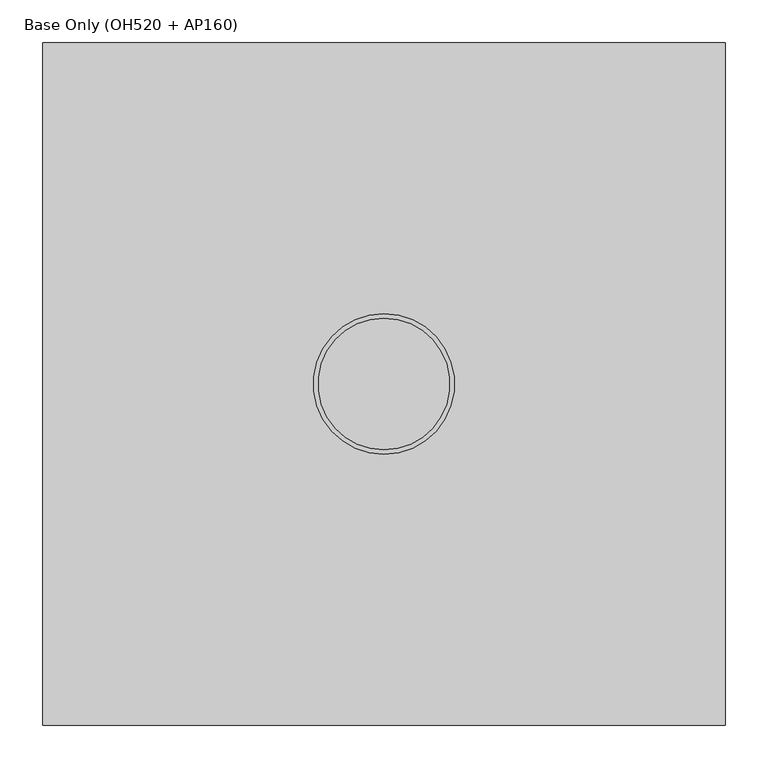
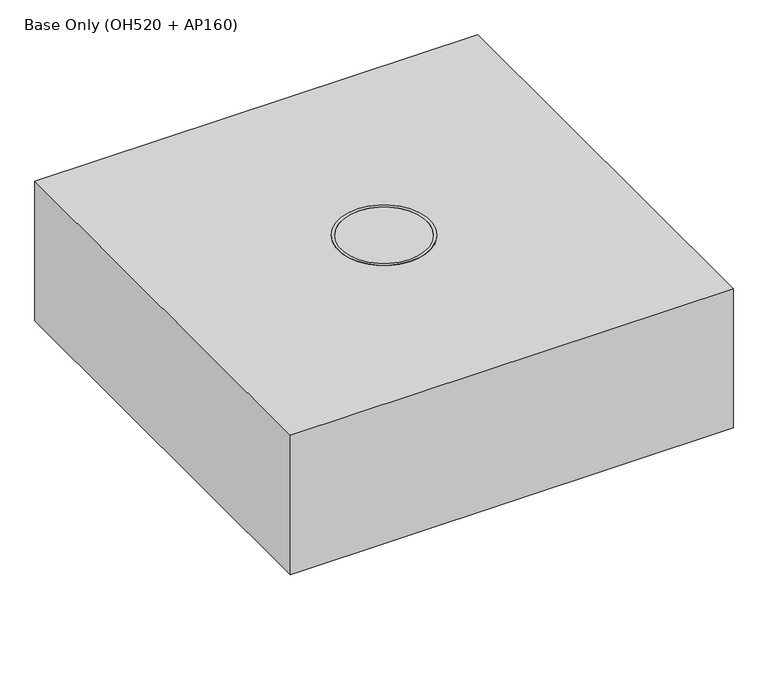
"""IFC4 building model written with IfcOpenShell, lengths in millimetres: proxy geometry, Base Only (OH520 + AP160)."""

from ifc_helpers import new_model, si_unit, point, frame, frame_2d, origin, origin_with_axes, place, context, project, spatial, polyline, circle_curve, ellipse_curve, trimmed, segment, composite_curve, outline, extrude, source, transform, mapped, element, save
from ifc_brep_helpers import plane_surface, cylinder_surface, revolved_surface, advanced_brep


def base_only_oh520_ap160_e9c407a0(model_context):
    return source(origin(), model_context, "Body", "SolidModel", [
        extrude(outline(composite_curve([segment(trimmed(circle_curve(frame_2d((180.0, 180.0)), 20.0), [point((180.0, 200.0))], [point((200.0, 180.0))], False, "CARTESIAN"), True, "CONTINUOUS"), segment(polyline([(200.0, 180.0), (200.0, -180.0)]), True, "CONTINUOUS"), segment(trimmed(circle_curve(frame_2d((180.0, -180.0)), 20.0), [point((200.0, -180.0))], [point((180.0, -200.0))], False, "CARTESIAN"), True, "CONTINUOUS"), segment(polyline([(180.0, -200.0), (-180.0, -200.0)]), True, "CONTINUOUS"), segment(trimmed(circle_curve(frame_2d((-180.0, -180.0)), 20.0), [point((-180.0, -200.0))], [point((-200.0, -180.0))], False, "CARTESIAN"), True, "CONTINUOUS"), segment(polyline([(-200.0, -180.0), (-200.0, 180.0)]), True, "CONTINUOUS"), segment(trimmed(circle_curve(frame_2d((-180.0, 180.0)), 20.0), [point((-200.0, 180.0))], [point((-180.0, 200.0))], False, "CARTESIAN"), True, "CONTINUOUS"), segment(polyline([(-180.0, 200.0), (180.0, 200.0)]), True, "CONTINUOUS")], self_intersect=False), holes=[composite_curve([segment(trimmed(circle_curve(frame_2d((150.0, -150.0)), 9.0), [point((150.0, -141.0))], [point((150.0, -159.0))], True, "CARTESIAN"), True, "CONTINUOUS"), segment(trimmed(circle_curve(frame_2d((150.0, -150.0)), 9.0), [point((150.0, -159.0))], [point((150.0, -141.0))], True, "CARTESIAN"), True, "CONTINUOUS")], self_intersect=False), composite_curve([segment(trimmed(circle_curve(frame_2d((150.0, 150.0)), 9.0), [point((150.0, 159.0))], [point((150.0, 141.0))], True, "CARTESIAN"), True, "CONTINUOUS"), segment(trimmed(circle_curve(frame_2d((150.0, 150.0)), 9.0), [point((150.0, 141.0))], [point((150.0, 159.0))], True, "CARTESIAN"), True, "CONTINUOUS")], self_intersect=False)]), origin_with_axes(), (0.0, 0.0, 1.0), 16.0),
        advanced_brep(
        [(-158.0, 150.0, 0.0), (-142.0, 150.0, 0.0), (-158.0, 150.0, -114.0), (-142.0, 150.0, -114.0), (-142.0, 122.0, -142.0), (-158.0, 122.0, -142.0), (-158.0, -122.0, -142.0), (-142.0, -122.0, -142.0), (-142.0, -150.0, -114.0), (-158.0, -150.0, -114.0), (-158.0, -150.0, 0.0), (-142.0, -150.0, 0.0)],
        [
            (0, 1, circle_curve(frame((-150.0, 150.0, 0.0), z_axis=(0.0, 0.0, 1.0), x_axis=(1.0, 0.0, 0.0)), 8.0)),
            (1, 0, circle_curve(frame((-150.0, 150.0, 0.0), z_axis=(0.0, 0.0, 1.0), x_axis=(1.0, 0.0, 0.0)), 8.0)),
            (0, 2),
            (2, 3, circle_curve(frame((-150.0, 150.0, -114.0), z_axis=(0.0, 0.0, 1.0), x_axis=(1.0, 0.0, 0.0)), 8.0)),
            (3, 1),
            (3, 2, circle_curve(frame((-150.0, 150.0, -114.0), z_axis=(0.0, 0.0, 1.0), x_axis=(1.0, 0.0, 0.0)), 8.0)),
            (4, 3, circle_curve(frame((-142.0, 122.0, -114.0), z_axis=(1.0, 0.0, 0.0), x_axis=(0.0, 1.0, 0.0)), 28.0)),
            (2, 5, circle_curve(frame((-158.0, 122.0, -114.0), z_axis=(-1.0, 0.0, 0.0), x_axis=(0.0, 1.0, 0.0)), 28.0)),
            (5, 4, circle_curve(frame((-150.0, 122.0, -142.0), z_axis=(0.0, 1.0, 0.0), x_axis=(1.0, 0.0, 0.0)), 8.0)),
            (4, 5, circle_curve(frame((-150.0, 122.0, -142.0), z_axis=(0.0, 1.0, 0.0), x_axis=(1.0, 0.0, 0.0)), 8.0)),
            (5, 6),
            (6, 7, circle_curve(frame((-150.0, -122.0, -142.0), z_axis=(0.0, 1.0, 0.0), x_axis=(1.0, 0.0, 0.0)), 8.0)),
            (7, 4),
            (7, 6, circle_curve(frame((-150.0, -122.0, -142.0), z_axis=(0.0, 1.0, 0.0), x_axis=(1.0, 0.0, 0.0)), 8.0)),
            (8, 7, circle_curve(frame((-142.0, -122.0, -114.0), z_axis=(1.0, 0.0, 0.0), x_axis=(0.0, 0.0, -1.0)), 28.0)),
            (6, 9, circle_curve(frame((-158.0, -122.0, -114.0), z_axis=(-1.0, 0.0, 0.0), x_axis=(0.0, 0.0, -1.0)), 28.0)),
            (9, 8, circle_curve(frame((-150.0, -150.0, -114.0), z_axis=(0.0, 0.0, -1.0), x_axis=(1.0, 0.0, 0.0)), 8.0)),
            (8, 9, circle_curve(frame((-150.0, -150.0, -114.0), z_axis=(0.0, 0.0, -1.0), x_axis=(1.0, 0.0, 0.0)), 8.0)),
            (10, 11, circle_curve(frame((-150.0, -150.0, 0.0), z_axis=(0.0, 0.0, 1.0), x_axis=(1.0, 0.0, 0.0)), 8.0)),
            (11, 10, circle_curve(frame((-150.0, -150.0, 0.0), z_axis=(0.0, 0.0, 1.0), x_axis=(1.0, 0.0, 0.0)), 8.0)),
            (9, 10),
            (11, 8),
        ],
        [
            plane_surface(frame((0.0, 142.0, 0.0), z_axis=(0.0, 0.0, 1.0), x_axis=(1.0, 0.0, 0.0))),
            cylinder_surface(frame((-150.0, 150.0, 0.0), z_axis=(0.0, 0.0, 1.0), x_axis=(1.0, 0.0, 0.0)), 8.0),
            revolved_surface(trimmed(ellipse_curve(frame((-150.0, 150.0, -114.0), z_axis=(0.0, 0.0, 1.0), x_axis=(1.0, 0.0, 0.0)), 8.0, 8.0), [point((-158.0, 150.0, -114.0))], [point((-142.0, 150.0, -114.0))], True, "CARTESIAN"), (0.0, 122.0, -114.0), (-1.0, 0.0, 0.0)),
            revolved_surface(trimmed(ellipse_curve(frame((-150.0, 150.0, -114.0), z_axis=(0.0, 0.0, 1.0), x_axis=(1.0, 0.0, 0.0)), 8.0, 8.0), [point((-142.0, 150.0, -114.0))], [point((-158.0, 150.0, -114.0))], True, "CARTESIAN"), (0.0, 122.0, -114.0), (-1.0, 0.0, 0.0)),
            cylinder_surface(frame((-150.0, 122.0, -142.0), z_axis=(0.0, 1.0, 0.0), x_axis=(1.0, 0.0, 0.0)), 8.0),
            revolved_surface(trimmed(ellipse_curve(frame((-150.0, -122.0, -142.0), z_axis=(0.0, 1.0, 0.0), x_axis=(1.0, 0.0, 0.0)), 8.0, 8.0), [point((-158.0, -122.0, -142.0))], [point((-142.0, -122.0, -142.0))], True, "CARTESIAN"), (0.0, -122.0, -114.0), (-1.0, 0.0, 0.0)),
            revolved_surface(trimmed(ellipse_curve(frame((-150.0, -122.0, -142.0), z_axis=(0.0, 1.0, 0.0), x_axis=(1.0, 0.0, 0.0)), 8.0, 8.0), [point((-142.0, -122.0, -142.0))], [point((-158.0, -122.0, -142.0))], True, "CARTESIAN"), (0.0, -122.0, -114.0), (-1.0, 0.0, 0.0)),
            plane_surface(frame((0.0, -142.0, 0.0), z_axis=(0.0, 0.0, 1.0), x_axis=(1.0, 0.0, 0.0))),
            cylinder_surface(frame((-150.0, -150.0, -114.0), z_axis=(0.0, 0.0, -1.0), x_axis=(1.0, 0.0, 0.0)), 8.0),
        ],
        [
            (0, [[1, 2]]),
            (1, [[-1, 3, 4, 5]]),
            (1, [[-2, -5, 6, -3]]),
            (2, [[7, -4, 8, 9]]),
            (3, [[-8, -6, -7, 10]]),
            (4, [[-9, 11, 12, 13]]),
            (4, [[-10, -13, 14, -11]]),
            (5, [[15, -12, 16, 17]]),
            (6, [[-16, -14, -15, 18]]),
            (7, [[19, 20]]),
            (8, [[-17, 21, -20, 22]]),
            (8, [[-18, -22, -19, -21]]),
        ],
    ),
        advanced_brep(
        [(142.0, 150.0, 0.0), (158.0, 150.0, 0.0), (142.0, 150.0, -114.0), (158.0, 150.0, -114.0), (158.0, 122.0, -142.0), (142.0, 122.0, -142.0), (142.0, -122.0, -142.0), (158.0, -122.0, -142.0), (158.0, -150.0, -114.0), (142.0, -150.0, -114.0), (142.0, -150.0, 0.0), (158.0, -150.0, 0.0)],
        [
            (0, 1, circle_curve(frame((150.0, 150.0, 0.0), z_axis=(0.0, 0.0, 1.0), x_axis=(1.0, 0.0, 0.0)), 8.0)),
            (1, 0, circle_curve(frame((150.0, 150.0, 0.0), z_axis=(0.0, 0.0, 1.0), x_axis=(1.0, 0.0, 0.0)), 8.0)),
            (0, 2),
            (2, 3, circle_curve(frame((150.0, 150.0, -114.0), z_axis=(0.0, 0.0, 1.0), x_axis=(1.0, 0.0, 0.0)), 8.0)),
            (3, 1),
            (3, 2, circle_curve(frame((150.0, 150.0, -114.0), z_axis=(0.0, 0.0, 1.0), x_axis=(1.0, 0.0, 0.0)), 8.0)),
            (4, 3, circle_curve(frame((158.0, 122.0, -114.0), z_axis=(1.0, 0.0, 0.0), x_axis=(0.0, 1.0, 0.0)), 28.0)),
            (2, 5, circle_curve(frame((142.0, 122.0, -114.0), z_axis=(-1.0, 0.0, 0.0), x_axis=(0.0, 1.0, 0.0)), 28.0)),
            (5, 4, circle_curve(frame((150.0, 122.0, -142.0), z_axis=(0.0, 1.0, 0.0), x_axis=(1.0, 0.0, 0.0)), 8.0)),
            (4, 5, circle_curve(frame((150.0, 122.0, -142.0), z_axis=(0.0, 1.0, 0.0), x_axis=(1.0, 0.0, 0.0)), 8.0)),
            (5, 6),
            (6, 7, circle_curve(frame((150.0, -122.0, -142.0), z_axis=(0.0, 1.0, 0.0), x_axis=(1.0, 0.0, 0.0)), 8.0)),
            (7, 4),
            (7, 6, circle_curve(frame((150.0, -122.0, -142.0), z_axis=(0.0, 1.0, 0.0), x_axis=(1.0, 0.0, 0.0)), 8.0)),
            (8, 7, circle_curve(frame((158.0, -122.0, -114.0), z_axis=(1.0, 0.0, 0.0), x_axis=(0.0, 0.0, -1.0)), 28.0)),
            (6, 9, circle_curve(frame((142.0, -122.0, -114.0), z_axis=(-1.0, 0.0, 0.0), x_axis=(0.0, 0.0, -1.0)), 28.0)),
            (9, 8, circle_curve(frame((150.0, -150.0, -114.0), z_axis=(0.0, 0.0, -1.0), x_axis=(1.0, 0.0, 0.0)), 8.0)),
            (8, 9, circle_curve(frame((150.0, -150.0, -114.0), z_axis=(0.0, 0.0, -1.0), x_axis=(1.0, 0.0, 0.0)), 8.0)),
            (10, 11, circle_curve(frame((150.0, -150.0, 0.0), z_axis=(0.0, 0.0, 1.0), x_axis=(1.0, 0.0, 0.0)), 8.0)),
            (11, 10, circle_curve(frame((150.0, -150.0, 0.0), z_axis=(0.0, 0.0, 1.0), x_axis=(1.0, 0.0, 0.0)), 8.0)),
            (9, 10),
            (11, 8),
        ],
        [
            plane_surface(frame((0.0, 142.0, 0.0), z_axis=(0.0, 0.0, 1.0), x_axis=(1.0, 0.0, 0.0))),
            cylinder_surface(frame((150.0, 150.0, 0.0), z_axis=(0.0, 0.0, 1.0), x_axis=(1.0, 0.0, 0.0)), 8.0),
            revolved_surface(trimmed(ellipse_curve(frame((150.0, 150.0, -114.0), z_axis=(0.0, 0.0, 1.0), x_axis=(1.0, 0.0, 0.0)), 8.0, 8.0), [point((142.0, 150.0, -114.0))], [point((158.0, 150.0, -114.0))], True, "CARTESIAN"), (0.0, 122.0, -114.0), (-1.0, 0.0, 0.0)),
            revolved_surface(trimmed(ellipse_curve(frame((150.0, 150.0, -114.0), z_axis=(0.0, 0.0, 1.0), x_axis=(1.0, 0.0, 0.0)), 8.0, 8.0), [point((158.0, 150.0, -114.0))], [point((142.0, 150.0, -114.0))], True, "CARTESIAN"), (0.0, 122.0, -114.0), (-1.0, 0.0, 0.0)),
            cylinder_surface(frame((150.0, 122.0, -142.0), z_axis=(0.0, 1.0, 0.0), x_axis=(1.0, 0.0, 0.0)), 8.0),
            revolved_surface(trimmed(ellipse_curve(frame((150.0, -122.0, -142.0), z_axis=(0.0, 1.0, 0.0), x_axis=(1.0, 0.0, 0.0)), 8.0, 8.0), [point((142.0, -122.0, -142.0))], [point((158.0, -122.0, -142.0))], True, "CARTESIAN"), (0.0, -122.0, -114.0), (-1.0, 0.0, 0.0)),
            revolved_surface(trimmed(ellipse_curve(frame((150.0, -122.0, -142.0), z_axis=(0.0, 1.0, 0.0), x_axis=(1.0, 0.0, 0.0)), 8.0, 8.0), [point((158.0, -122.0, -142.0))], [point((142.0, -122.0, -142.0))], True, "CARTESIAN"), (0.0, -122.0, -114.0), (-1.0, 0.0, 0.0)),
            plane_surface(frame((0.0, -142.0, 0.0), z_axis=(0.0, 0.0, 1.0), x_axis=(1.0, 0.0, 0.0))),
            cylinder_surface(frame((150.0, -150.0, -114.0), z_axis=(0.0, 0.0, -1.0), x_axis=(1.0, 0.0, 0.0)), 8.0),
        ],
        [
            (0, [[1, 2]]),
            (1, [[-1, 3, 4, 5]]),
            (1, [[-2, -5, 6, -3]]),
            (2, [[7, -4, 8, 9]]),
            (3, [[-8, -6, -7, 10]]),
            (4, [[-9, 11, 12, 13]]),
            (4, [[-10, -13, 14, -11]]),
            (5, [[15, -12, 16, 17]]),
            (6, [[-16, -14, -15, 18]]),
            (7, [[19, 20]]),
            (8, [[-17, 21, -20, 22]]),
            (8, [[-18, -22, -19, -21]]),
        ],
    ),
        advanced_brep(
        [(-192.5, -6.0, 16.0), (-192.5, 6.0, 16.0), (-82.3316616, 6.0, 16.0), (-6.0, 82.3316616, 16.0), (-6.0, 192.7683384, 16.0), (6.0, 192.7683384, 16.0), (6.0, 82.3316616, 16.0), (82.3316616, 6.0, 16.0), (192.5, 6.0, 16.0), (192.5, -6.0, 16.0), (82.3316616, -6.0, 16.0), (6.0, -82.3316616, 16.0), (6.0, -192.7683384, 16.0), (-6.0, -192.7683384, 16.0), (-6.0, -82.3316616, 16.0), (-82.3316616, -6.0, 16.0), (0.0, 77.15, 16.0), (0.0, -77.15, 16.0), (0.0, 82.55, 266.0), (0.0, -82.55, 266.0), (0.0, 77.15, 266.0), (0.0, -77.15, 266.0), (0.0, 82.55, 216.0), (-6.0, 82.3316616, 216.0), (-82.3316616, 6.0, 216.0), (-82.55, 0.0, 216.0), (-82.3316616, -6.0, 216.0), (-6.0, -82.3316616, 216.0), (0.0, -82.55, 216.0), (6.0, -82.3316616, 216.0), (82.3316616, -6.0, 216.0), (82.55, 0.0, 216.0), (82.3316616, 6.0, 216.0), (6.0, 82.3316616, 216.0), (-82.55, -6.0, 216.0), (82.55, -6.0, 216.0), (-82.55, 6.0, 216.0), (82.55, 6.0, 216.0), (6.0, 192.7683384, 108.2113255), (6.0, 149.7269935, 157.724729), (6.0, 134.968539, 159.7988945), (6.0, 102.2601853, 181.8609576), (6.0, 82.55, 216.0), (6.0, 132.0, 116.0), (6.0, 172.0, 116.0), (6.0, -82.55, 216.0), (6.0, -102.2601853, 181.8609576), (6.0, -134.968539, 159.7988945), (6.0, -149.7269935, 157.724729), (6.0, -192.7683384, 108.2113255), (6.0, -172.0, 116.0), (6.0, -132.0, 116.0), (-6.0, 82.55, 216.0), (-6.0, 102.2601853, 181.8609576), (-6.0, 134.968539, 159.7988945), (-6.0, 149.7269935, 157.724729), (-6.0, 192.7683384, 108.2113255), (-6.0, 132.0, 116.0), (-6.0, 172.0, 116.0), (-6.0, -192.7683384, 108.2113255), (-6.0, -149.7269935, 157.724729), (-6.0, -134.968539, 159.7988945), (-6.0, -102.2601853, 181.8609576), (-6.0, -82.55, 216.0), (-6.0, -172.0, 116.0), (-6.0, -132.0, 116.0)],
        [
            (0, 1),
            (1, 2),
            (2, 3, circle_curve(frame((0.0, 0.0, 16.0), z_axis=(0.0, 0.0, -1.0), x_axis=(0.0, -1.0, 0.0)), 82.55)),
            (3, 4),
            (4, 5),
            (5, 6),
            (6, 7, circle_curve(frame((0.0, 0.0, 16.0), z_axis=(0.0, 0.0, -1.0), x_axis=(0.0, -1.0, 0.0)), 82.55)),
            (7, 8),
            (8, 9),
            (9, 10),
            (10, 11, circle_curve(frame((0.0, 0.0, 16.0), z_axis=(0.0, 0.0, -1.0), x_axis=(0.0, -1.0, 0.0)), 82.55)),
            (11, 12),
            (12, 13),
            (13, 14),
            (14, 15, circle_curve(frame((0.0, 0.0, 16.0), z_axis=(0.0, 0.0, -1.0), x_axis=(0.0, -1.0, 0.0)), 82.55)),
            (15, 0),
            (16, 17, circle_curve(frame((0.0, 0.0, 16.0), z_axis=(0.0, 0.0, 1.0), x_axis=(0.0, -1.0, 0.0)), 77.15)),
            (17, 16, circle_curve(frame((0.0, 0.0, 16.0), z_axis=(0.0, 0.0, 1.0), x_axis=(0.0, -1.0, 0.0)), 77.15)),
            (18, 19, circle_curve(frame((0.0, 0.0, 266.0), z_axis=(0.0, 0.0, 1.0), x_axis=(0.0, -1.0, 0.0)), 82.55)),
            (19, 18, circle_curve(frame((0.0, 0.0, 266.0), z_axis=(0.0, 0.0, 1.0), x_axis=(0.0, -1.0, 0.0)), 82.55)),
            (20, 21, circle_curve(frame((0.0, 0.0, 266.0), z_axis=(0.0, 0.0, -1.0), x_axis=(0.0, -1.0, 0.0)), 77.15)),
            (21, 20, circle_curve(frame((0.0, 0.0, 266.0), z_axis=(0.0, 0.0, -1.0), x_axis=(0.0, -1.0, 0.0)), 77.15)),
            (17, 21),
            (20, 16),
            (18, 22),
            (22, 23, circle_curve(frame((0.0, 0.0, 216.0), z_axis=(0.0, 0.0, 1.0), x_axis=(0.0, -1.0, 0.0)), 82.55)),
            (23, 3),
            (2, 24),
            (24, 25, circle_curve(frame((0.0, 0.0, 216.0), z_axis=(0.0, 0.0, 1.0), x_axis=(0.0, -1.0, 0.0)), 82.55)),
            (25, 26, circle_curve(frame((0.0, 0.0, 216.0), z_axis=(0.0, 0.0, 1.0), x_axis=(0.0, -1.0, 0.0)), 82.55)),
            (26, 15),
            (14, 27),
            (27, 28, circle_curve(frame((0.0, 0.0, 216.0), z_axis=(0.0, 0.0, 1.0), x_axis=(0.0, -1.0, 0.0)), 82.55)),
            (28, 19),
            (28, 29, circle_curve(frame((0.0, 0.0, 216.0), z_axis=(0.0, 0.0, 1.0), x_axis=(0.0, -1.0, 0.0)), 82.55)),
            (29, 11),
            (10, 30),
            (30, 31, circle_curve(frame((0.0, 0.0, 216.0), z_axis=(0.0, 0.0, 1.0), x_axis=(0.0, -1.0, 0.0)), 82.55)),
            (31, 32, circle_curve(frame((0.0, 0.0, 216.0), z_axis=(0.0, 0.0, 1.0), x_axis=(0.0, -1.0, 0.0)), 82.55)),
            (32, 7),
            (6, 33),
            (33, 22, circle_curve(frame((0.0, 0.0, 216.0), z_axis=(0.0, 0.0, 1.0), x_axis=(0.0, -1.0, 0.0)), 82.55)),
            (34, 0),
            (26, 34),
            (9, 35),
            (35, 30),
            (1, 36),
            (36, 24),
            (37, 8),
            (32, 37),
            (25, 34),
            (36, 25),
            (37, 31),
            (31, 35),
            (5, 38),
            (38, 39, circle_curve(frame((6.0, 142.7683384, 108.2113255), z_axis=(1.0, 0.0, 0.0), x_axis=(0.0, 1.0, 0.0)), 50.0)),
            (39, 40),
            (40, 41, circle_curve(frame((6.0, 141.2313285, 204.3609576), z_axis=(-1.0, 0.0, 0.0), x_axis=(0.0, 1.0, 0.0)), 45.0)),
            (41, 42),
            (42, 33),
            (43, 44, circle_curve(frame((6.0, 152.0, 116.0), z_axis=(-1.0, 0.0, 0.0), x_axis=(0.0, 1.0, 0.0)), 20.0)),
            (44, 43, circle_curve(frame((6.0, 152.0, 116.0), z_axis=(-1.0, 0.0, 0.0), x_axis=(0.0, 1.0, 0.0)), 20.0)),
            (45, 46),
            (46, 47, circle_curve(frame((6.0, -141.2313285, 204.3609576), z_axis=(-1.0, 0.0, 0.0), x_axis=(0.0, 1.0, 0.0)), 45.0)),
            (47, 48),
            (48, 49, circle_curve(frame((6.0, -142.7683384, 108.2113255), z_axis=(1.0, 0.0, 0.0), x_axis=(0.0, 1.0, 0.0)), 50.0)),
            (49, 12),
            (29, 45),
            (50, 51, circle_curve(frame((6.0, -152.0, 116.0), z_axis=(-1.0, 0.0, 0.0), x_axis=(0.0, 1.0, 0.0)), 20.0)),
            (51, 50, circle_curve(frame((6.0, -152.0, 116.0), z_axis=(-1.0, 0.0, 0.0), x_axis=(0.0, 1.0, 0.0)), 20.0)),
            (52, 53),
            (53, 54, circle_curve(frame((-6.0, 141.2313285, 204.3609576), z_axis=(1.0, 0.0, 0.0), x_axis=(0.0, 1.0, 0.0)), 45.0)),
            (54, 55),
            (55, 56, circle_curve(frame((-6.0, 142.7683384, 108.2113255), z_axis=(-1.0, 0.0, 0.0), x_axis=(0.0, 1.0, 0.0)), 50.0)),
            (56, 4),
            (23, 52),
            (57, 58, circle_curve(frame((-6.0, 152.0, 116.0), z_axis=(1.0, 0.0, 0.0), x_axis=(0.0, 1.0, 0.0)), 20.0)),
            (58, 57, circle_curve(frame((-6.0, 152.0, 116.0), z_axis=(1.0, 0.0, 0.0), x_axis=(0.0, 1.0, 0.0)), 20.0)),
            (13, 59),
            (59, 60, circle_curve(frame((-6.0, -142.7683384, 108.2113255), z_axis=(-1.0, 0.0, 0.0), x_axis=(0.0, 1.0, 0.0)), 50.0)),
            (60, 61),
            (61, 62, circle_curve(frame((-6.0, -141.2313285, 204.3609576), z_axis=(1.0, 0.0, 0.0), x_axis=(0.0, 1.0, 0.0)), 45.0)),
            (62, 63),
            (63, 27),
            (64, 65, circle_curve(frame((-6.0, -152.0, 116.0), z_axis=(1.0, 0.0, 0.0), x_axis=(0.0, 1.0, 0.0)), 20.0)),
            (65, 64, circle_curve(frame((-6.0, -152.0, 116.0), z_axis=(1.0, 0.0, 0.0), x_axis=(0.0, 1.0, 0.0)), 20.0)),
            (42, 22),
            (22, 52),
            (56, 38),
            (55, 39),
            (54, 40),
            (53, 41),
            (63, 28),
            (28, 45),
            (62, 46),
            (61, 47),
            (60, 48),
            (59, 49),
            (50, 64),
            (65, 51),
            (43, 57),
            (58, 44),
        ],
        [
            plane_surface(frame((0.0, -77.15, 16.0), z_axis=(0.0, 0.0, -1.0), x_axis=(1.0, 0.0, 0.0))),
            plane_surface(frame((0.0, -77.15, 266.0), z_axis=(0.0, 0.0, 1.0), x_axis=(-1.0, 0.0, 0.0))),
            revolved_surface(polyline([(0.0, -77.15, 16.0), (0.0, -77.15, 266.0)]), (0.0, 0.0, 16.0), (0.0, 0.0, -1.0)),
            cylinder_surface(frame((0.0, 0.0, 0.0), z_axis=(0.0, 0.0, 1.0), x_axis=(0.0, -1.0, 0.0)), 82.55),
            plane_surface(frame((-192.5, -6.0, 16.0), z_axis=(0.0, -1.0, 0.0), x_axis=(1.0, 0.0, 0.0))),
            plane_surface(frame((-192.5, 6.0, 16.0), z_axis=(0.0, 1.0, 0.0), x_axis=(-1.0, 0.0, 0.0))),
            plane_surface(frame((-79.5772837, -6.0, 216.0), z_axis=(0.0, 0.0, 1.0), x_axis=(0.0, 1.0, 0.0))),
            plane_surface(frame((-82.55, -6.0, 216.0), z_axis=(-0.8763084010975734, 0.0, 0.481750543503393), x_axis=(0.0, 1.0, 0.0))),
            plane_surface(frame((192.5, -6.0, 16.0), z_axis=(0.8763084010975716, 0.0, 0.48175054350339636), x_axis=(0.0, 1.0, 0.0))),
            plane_surface(frame((82.55, -6.0, 216.0), z_axis=(0.0, 0.0, 1.0), x_axis=(0.0, 1.0, 0.0))),
            plane_surface(frame((6.0, 192.7683384, 16.0), z_axis=(1.0, 0.0, 0.0), x_axis=(0.0, 1.0, 0.0))),
            plane_surface(frame((-6.0, 192.7683384, 16.0), z_axis=(-1.0, 0.0, 0.0), x_axis=(0.0, -1.0, 0.0))),
            plane_surface(frame((6.0, 82.55, 216.0), z_axis=(0.0, 0.0, 1.0), x_axis=(-1.0, 0.0, 0.0))),
            plane_surface(frame((6.0, 192.7683384, 16.0), z_axis=(0.0, 1.0, 0.0), x_axis=(-1.0, 0.0, 0.0))),
            cylinder_surface(frame((-6.0, 142.7683384, 108.2113255), z_axis=(1.0, 0.0, 0.0), x_axis=(0.0, 1.0, 0.0)), 50.0),
            plane_surface(frame((6.0, 149.7269935, 157.724729), z_axis=(0.0, 0.13917310096009278, 0.9902680687415665), x_axis=(-1.0, 0.0, 0.0))),
            revolved_surface(polyline([(-6.0, 186.2313285, 204.3609576), (6.0, 186.2313285, 204.3609576)]), (-6.0, 141.2313285, 204.3609576), (-1.0, 0.0, 0.0)),
            plane_surface(frame((6.0, 102.2601853, 181.8609576), z_axis=(0.0, 0.8660254037844278, 0.5000000000000189), x_axis=(-1.0, 0.0, 0.0))),
            plane_surface(frame((6.0, -79.5772837, 216.0), z_axis=(0.0, 0.0, 1.0), x_axis=(-1.0, 0.0, 0.0))),
            plane_surface(frame((6.0, -82.55, 216.0), z_axis=(0.0, -0.8660254037844299, 0.5000000000000153), x_axis=(-1.0, 0.0, 0.0))),
            revolved_surface(polyline([(-6.0, -96.23132849999999, 204.3609576), (6.0, -96.23132849999999, 204.3609576)]), (0.0, -141.2313285, 204.3609576), (-1.0, 0.0, 0.0)),
            plane_surface(frame((6.0, -134.968539, 159.7988945), z_axis=(0.0, -0.1391731009601339, 0.9902680687415607), x_axis=(-1.0, 0.0, 0.0))),
            cylinder_surface(frame((0.0, -142.7683384, 108.2113255), z_axis=(1.0, 0.0, 0.0), x_axis=(0.0, 1.0, 0.0)), 50.0),
            plane_surface(frame((6.0, -192.7683384, 108.2113255), z_axis=(0.0, -1.0, 0.0), x_axis=(-1.0, 0.0, 0.0))),
            revolved_surface(polyline([(-6.0, -132.0, 116.0), (6.0, -132.0, 116.0)]), (0.0, -152.0, 116.0), (-1.0, 0.0, 0.0)),
            revolved_surface(polyline([(-6.0, 172.0, 116.0), (6.0, 172.0, 116.0)]), (0.0, 152.0, 116.0), (-1.0, 0.0, 0.0)),
        ],
        [
            (0, [[1, 2, 3, 4, 5, 6, 7, 8, 9, 10, 11, 12, 13, 14, 15, 16], [17, 18]]),
            (1, [[19, 20], [21, 22]]),
            (2, [[-18, 23, -21, 24]]),
            (2, [[-17, -24, -22, -23]]),
            (3, [[-19, 25, 26, 27, -3, 28, 29, 30, 31, -15, 32, 33, 34]]),
            (3, [[-20, -34, 35, 36, -11, 37, 38, 39, 40, -7, 41, 42, -25]]),
            (4, [[43, -16, -31, 44]]),
            (4, [[45, 46, -37, -10]]),
            (5, [[47, 48, -28, -2]]),
            (5, [[49, -8, -40, 50]]),
            (6, [[-44, -30, 51]]),
            (6, [[-48, 52, -29]]),
            (7, [[-43, -51, -52, -47, -1]]),
            (8, [[-45, -9, -49, 53, 54]]),
            (9, [[-46, -54, -38]]),
            (9, [[-50, -39, -53]]),
            (10, [[55, 56, 57, 58, 59, 60, -41, -6], [61, 62]]),
            (10, [[63, 64, 65, 66, 67, -12, -36, 68], [69, 70]]),
            (11, [[71, 72, 73, 74, 75, -4, -27, 76], [77, 78]]),
            (11, [[79, 80, 81, 82, 83, 84, -32, -14], [85, 86]]),
            (12, [[87, -42, -60]]),
            (12, [[88, -76, -26]]),
            (13, [[-55, -5, -75, 89]]),
            (14, [[-56, -89, -74, 90]]),
            (15, [[-57, -90, -73, 91]]),
            (16, [[-58, -91, -72, 92]]),
            (17, [[-59, -92, -71, -88, -87]]),
            (18, [[93, -33, -84]]),
            (18, [[94, -68, -35]]),
            (19, [[-63, -94, -93, -83, 95]]),
            (20, [[-64, -95, -82, 96]]),
            (21, [[-65, -96, -81, 97]]),
            (22, [[-66, -97, -80, 98]]),
            (23, [[-67, -98, -79, -13]]),
            (24, [[-69, 99, -86, 100]]),
            (24, [[-70, -100, -85, -99]]),
            (25, [[-61, 101, -78, 102]]),
            (25, [[-62, -102, -77, -101]]),
        ],
    ),
        extrude(outline(composite_curve([segment(trimmed(circle_curve(frame_2d((180.0, 180.0)), 20.0), [point((180.0, 200.0))], [point((200.0, 180.0))], False, "CARTESIAN"), True, "CONTINUOUS"), segment(polyline([(200.0, 180.0), (200.0, -180.0)]), True, "CONTINUOUS"), segment(trimmed(circle_curve(frame_2d((180.0, -180.0)), 20.0), [point((200.0, -180.0))], [point((180.0, -200.0))], False, "CARTESIAN"), True, "CONTINUOUS"), segment(polyline([(180.0, -200.0), (-180.0, -200.0)]), True, "CONTINUOUS"), segment(trimmed(circle_curve(frame_2d((-180.0, -180.0)), 20.0), [point((-180.0, -200.0))], [point((-200.0, -180.0))], False, "CARTESIAN"), True, "CONTINUOUS"), segment(polyline([(-200.0, -180.0), (-200.0, 180.0)]), True, "CONTINUOUS"), segment(trimmed(circle_curve(frame_2d((-180.0, 180.0)), 20.0), [point((-200.0, 180.0))], [point((-180.0, 200.0))], False, "CARTESIAN"), True, "CONTINUOUS"), segment(polyline([(-180.0, 200.0), (180.0, 200.0)]), True, "CONTINUOUS")], self_intersect=False), holes=[composite_curve([segment(trimmed(circle_curve(frame_2d((-150.0, -150.0)), 9.0), [point((-150.0, -141.0))], [point((-150.0, -159.0))], True, "CARTESIAN"), True, "CONTINUOUS"), segment(trimmed(circle_curve(frame_2d((-150.0, -150.0)), 9.0), [point((-150.0, -159.0))], [point((-150.0, -141.0))], True, "CARTESIAN"), True, "CONTINUOUS")], self_intersect=False), composite_curve([segment(trimmed(circle_curve(frame_2d((-150.0, 150.0)), 9.0), [point((-150.0, 159.0))], [point((-150.0, 141.0))], True, "CARTESIAN"), True, "CONTINUOUS"), segment(trimmed(circle_curve(frame_2d((-150.0, 150.0)), 9.0), [point((-150.0, 141.0))], [point((-150.0, 159.0))], True, "CARTESIAN"), True, "CONTINUOUS")], self_intersect=False), composite_curve([segment(trimmed(circle_curve(frame_2d((150.0, -150.0)), 9.0), [point((150.0, -141.0))], [point((150.0, -159.0))], True, "CARTESIAN"), True, "CONTINUOUS"), segment(trimmed(circle_curve(frame_2d((150.0, -150.0)), 9.0), [point((150.0, -159.0))], [point((150.0, -141.0))], True, "CARTESIAN"), True, "CONTINUOUS")], self_intersect=False), composite_curve([segment(trimmed(circle_curve(frame_2d((150.0, 150.0)), 9.0), [point((150.0, 159.0))], [point((150.0, 141.0))], True, "CARTESIAN"), True, "CONTINUOUS"), segment(trimmed(circle_curve(frame_2d((150.0, 150.0)), 9.0), [point((150.0, 141.0))], [point((150.0, 159.0))], True, "CARTESIAN"), True, "CONTINUOUS")], self_intersect=False)]), origin_with_axes(), (0.0, 0.0, 1.0), 16.0),
        extrude(outline(polyline([(400.0, 400.0), (400.0, -400.0), (-400.0, -400.0), (-400.0, 400.0), (400.0, 400.0)])), origin_with_axes(), (0.0, 0.0, 1.0), 266.0),
        extrude(outline(polyline([(-180.0, 180.0), (180.0, 180.0), (180.0, -180.0), (-180.0, -180.0), (-180.0, 180.0)]), holes=[polyline([(-130.0, 130.0), (-130.0, -130.0), (130.0, -130.0), (130.0, 130.0), (-130.0, 130.0)])]), frame((0.0, 0.0, -2.0), z_axis=(0.0, 0.0, 1.0), x_axis=(1.0, 0.0, 0.0)), (0.0, 0.0, 1.0), 2.0),
    ])


if __name__ == "__main__":
    model = new_model("IFC4")
    model_context = context("Model", 3, world=origin())
    ifc_project = project(units=[si_unit("LENGTHUNIT", "METRE", prefix="MILLI")], contexts=[model_context])
    site = spatial("IfcSite", under=ifc_project)
    building = spatial("IfcBuilding", under=site)
    placement = place(None, origin())
    base_only_oh520_ap160_shape = base_only_oh520_ap160_e9c407a0(model_context)
    element("IfcBuildingElementProxy", 1, Name="Base Only (OH520 + AP160)", ObjectType="Base Only (OH520 + AP160)", at=placement, inside=building, context=model_context, shape_type="MappedRepresentation", body=[
        mapped(base_only_oh520_ap160_shape, transform((0.0, 0.0, 0.0), x_axis=(1.0, 0.0, 0.0), y_axis=(0.0, 1.0, 0.0), z_axis=(0.0, 0.0, 1.0))),
    ])
    save(model, "model.ifc")
